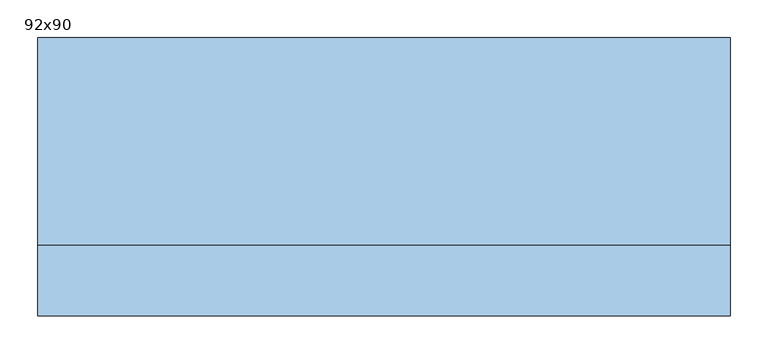
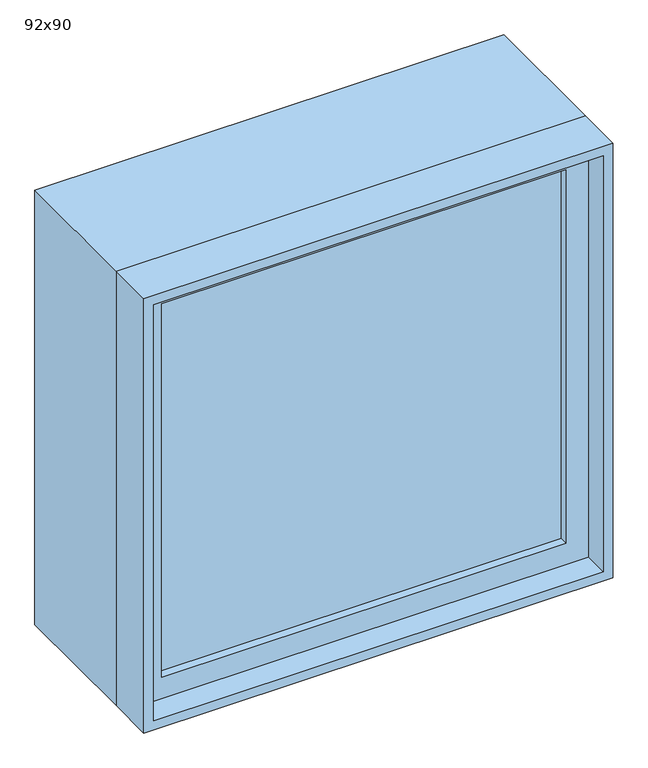
"""IFC4 building model written with IfcOpenShell, lengths in millimetres: window geometry, 92x90."""

from ifc_helpers import new_model, si_unit, frame, origin, place, context, project, spatial, polyline, outline, extrude, source, transform, mapped, element, save


def window_92x90_b25193aa(model_context):
    return source(origin(), model_context, "Body", "SweptSolid", [
        extrude(outline(polyline([(358.4, -106.425), (358.4, -119.125), (-434.6, -119.125), (-434.6, -106.425), (358.4, -106.425)])), frame((0.0, 0.0, 977.9), z_axis=(0.0, 0.0, 1.0), x_axis=(1.0, 0.0, 0.0)), (0.0, 0.0, 1.0), 773.0),
        extrude(outline(polyline([(1795.35, -479.05), (933.45, -479.05), (933.45, 402.85), (1795.35, 402.85), (1795.35, -479.05)]), holes=[polyline([(1750.9, -434.6), (1750.9, 358.4), (977.9, 358.4), (977.9, -434.6), (1750.9, -434.6)])]), frame((0.0, -135.0, 0.0), z_axis=(0.0, 1.0, 0.0), x_axis=(0.0, 0.0, 1.0)), (0.0, 0.0, 1.0), 44.45),
        extrude(outline(polyline([(1814.4, -498.1), (914.4, -498.1), (914.4, 421.9), (1814.4, 421.9), (1814.4, -498.1)]), holes=[polyline([(1782.65, -466.35), (1782.65, 390.15), (946.15, 390.15), (946.15, -466.35), (1782.65, -466.35)])]), frame((0.0, -90.55, 0.0), z_axis=(0.0, 1.0, 0.0), x_axis=(0.0, 0.0, 1.0)), (0.0, 0.0, 1.0), 275.55),
        extrude(outline(polyline([(1814.4, 421.9), (1814.4, -498.1), (914.4, -498.1), (914.4, 421.9), (1814.4, 421.9)]), holes=[polyline([(1795.35, 402.85), (933.45, 402.85), (933.45, -479.05), (1795.35, -479.05), (1795.35, 402.85)])]), frame((0.0, -185.0, 0.0), z_axis=(0.0, 1.0, 0.0), x_axis=(0.0, 0.0, 1.0)), (0.0, 0.0, 1.0), 94.45),
    ])


if __name__ == "__main__":
    model = new_model("IFC4")
    model_context = context("Model", 3, world=origin())
    ifc_project = project(units=[si_unit("LENGTHUNIT", "METRE", prefix="MILLI")], contexts=[model_context])
    site = spatial("IfcSite", under=ifc_project)
    building = spatial("IfcBuilding", under=site)
    placement = place(None, origin())
    window_92x90_shape = window_92x90_b25193aa(model_context)
    element("IfcWindow", 1, ObjectType="92x90", at=placement, inside=building, context=model_context, shape_type="MappedRepresentation", body=[
        mapped(window_92x90_shape, transform((0.0, 0.0, 0.0), x_axis=(1.0, 0.0, 0.0), y_axis=(0.0, 1.0, 0.0), z_axis=(0.0, 0.0, 1.0))),
    ])
    save(model, "model.ifc")
